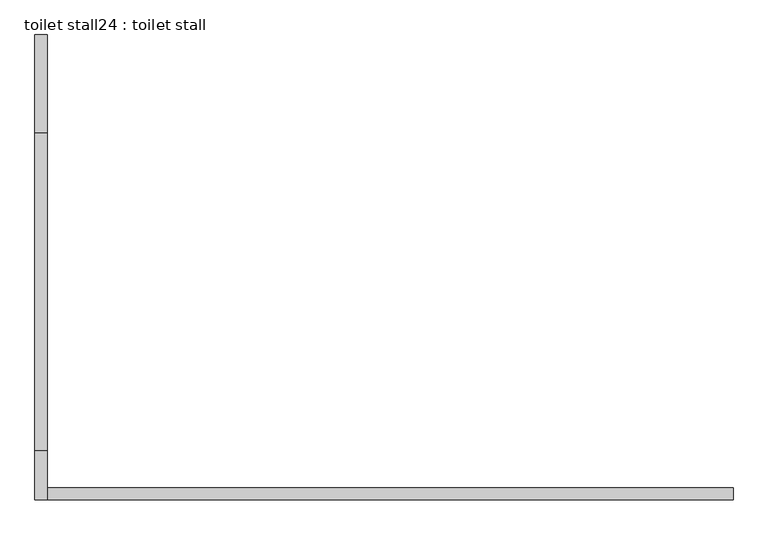
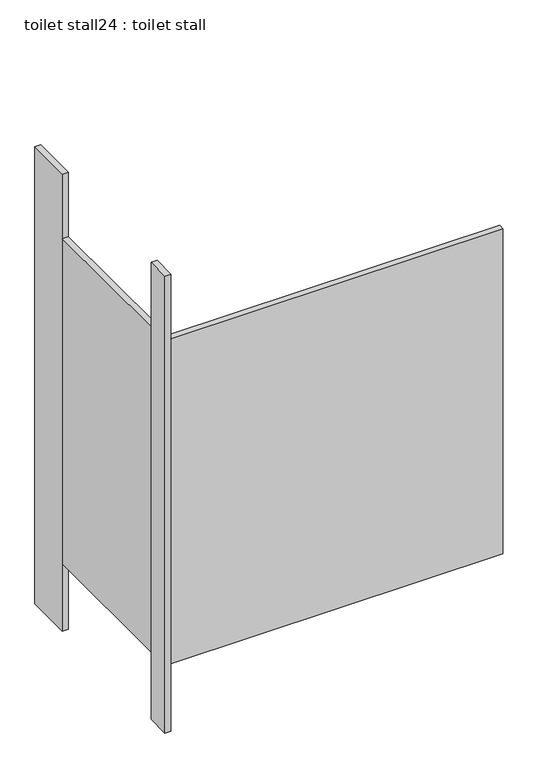
"""IFC4 building model written with IfcOpenShell, lengths in millimetres: proxy geometry, toilet stall24 : toilet stall."""

from ifc_helpers import new_model, si_unit, frame, origin, origin_with_axes, place, context, project, spatial, polyline, outline, extrude, source, transform, mapped, element, save


def toilet_stall24_toilet_stall_9d47d6b7(model_context):
    return source(origin(), model_context, "Body", "SweptSolid", [
        extrude(outline(polyline([(454658.2004676, -346664.7705223), (454632.8004676, -346664.7705223), (454632.8004676, -346461.5705223), (454658.2004676, -346461.5705223), (454658.2004676, -346664.7705223)])), origin_with_axes(), (0.0, 0.0, 1.0), 2070.1),
        extrude(outline(polyline([(454658.2004676, -347426.7705223), (454632.8004676, -347426.7705223), (454632.8004676, -347325.1705223), (454658.2004676, -347325.1705223), (454658.2004676, -347426.7705223)])), origin_with_axes(), (0.0, 0.0, 1.0), 2070.1),
        extrude(outline(polyline([(454658.2004676, -347426.7705223), (454658.2004676, -347401.3705223), (456080.6004676, -347401.3705223), (456080.6004676, -347426.7705223), (454658.2004676, -347426.7705223)])), frame((0.0, 0.0, 304.8), z_axis=(0.0, 0.0, 1.0), x_axis=(1.0, 0.0, 0.0)), (0.0, 0.0, 1.0), 1473.2),
        extrude(outline(polyline([(454658.2004676, -347325.1705223), (454632.8004676, -347325.1705223), (454632.8004676, -346664.7705223), (454658.2004676, -346664.7705223), (454658.2004676, -347325.1705223)])), frame((0.0, 0.0, 304.8), z_axis=(0.0, 0.0, 1.0), x_axis=(1.0, 0.0, 0.0)), (0.0, 0.0, 1.0), 1473.2),
    ])


if __name__ == "__main__":
    model = new_model("IFC4")
    model_context = context("Model", 3, world=origin())
    ifc_project = project(units=[si_unit("LENGTHUNIT", "METRE", prefix="MILLI")], contexts=[model_context])
    site = spatial("IfcSite", under=ifc_project)
    building = spatial("IfcBuilding", under=site)
    placement = place(None, origin())
    toilet_stall24_toilet_stall_shape = toilet_stall24_toilet_stall_9d47d6b7(model_context)
    element("IfcBuildingElementProxy", 1, Name="toilet stall24 : toilet stall", ObjectType="toilet stall24 : toilet stall", at=placement, inside=building, context=model_context, shape_type="MappedRepresentation", body=[
        mapped(toilet_stall24_toilet_stall_shape, transform((0.0, 0.0, 0.0), x_axis=(1.0, 0.0, 0.0), y_axis=(0.0, 1.0, 0.0), z_axis=(0.0, 0.0, 1.0))),
    ])
    save(model, "model.ifc")
